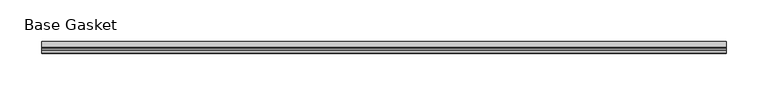
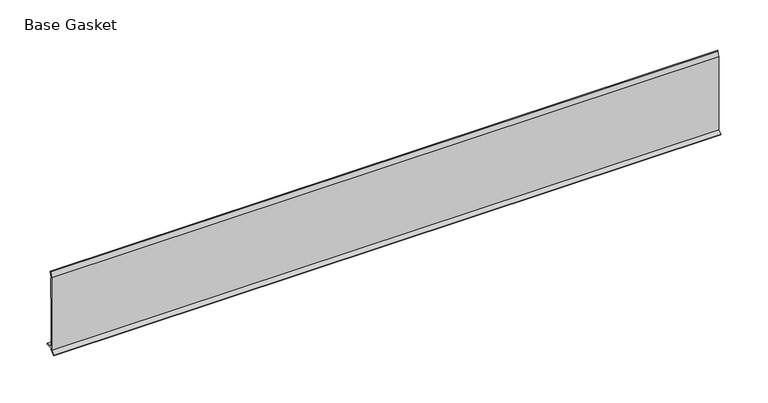
"""IFC4 building model written with IfcOpenShell, lengths in millimetres: furniture geometry, Base Gasket."""

import ifcopenshell
import ifcopenshell.guid

model = None  # the IFC model being written
_history = None  # IfcOwnerHistory: only IFC2X3 demands one
_inside = {}  # id of a spatial element -> (the spatial element, [elements in it])
_under = {}  # id of a project, library or spatial element -> (it, [spatial elements below it])
_declared = {}  # id of a project -> (the project, [libraries it declares])
_typed = {}  # id of a type object -> (the type object, [elements of that type])
_made_of = {}  # id of a material, layer set ... -> (it, [elements and type objects made of it])


def new_model(schema):
    """Start an empty IFC model of exactly this schema.

    Asked for "IFC4X3", IfcOpenShell would pick the latest addendum, in which some entities
    have other attributes; the version numbers below select the first issue.
    IFC2X3 requires an IfcOwnerHistory on every rooted entity: one is made here for all.
    """
    global model, _history
    if schema == "IFC4X3":
        model = ifcopenshell.file(schema_version=(4, 3, 0, 0))
    else:
        model = ifcopenshell.file(schema=schema)
    _inside.clear()
    _under.clear()
    _declared.clear()
    _typed.clear()
    _made_of.clear()
    _history = None
    if model.schema == "IFC2X3":
        org = make("IfcOrganization", Name="unknown")
        user = make(
            "IfcPersonAndOrganization",
            ThePerson=make("IfcPerson", FamilyName="unknown"),
            TheOrganization=org,
        )
        app = make(
            "IfcApplication",
            ApplicationDeveloper=org,
            Version="unknown",
            ApplicationFullName="unknown",
            ApplicationIdentifier="unknown",
        )
        _history = make(
            "IfcOwnerHistory",
            OwningUser=user,
            OwningApplication=app,
            ChangeAction="ADDED",
            CreationDate=0,
        )
    return model


def make(cls, **values):
    """One entity of the class cls with the attributes given. An attribute that is None is left unset."""
    return model.create_entity(
        cls, **{name: value for name, value in values.items() if value is not None}
    )


def rooted(cls, **values):
    """An entity with a GlobalId (a new one), such as an element, a storey or a relation."""
    return make(cls, GlobalId=ifcopenshell.guid.new(), OwnerHistory=_history, **values)


def si_unit(unit_type, name, prefix=None):
    """IfcSIUnit, for example si_unit("LENGTHUNIT", "METRE", prefix="MILLI")."""
    return make("IfcSIUnit", UnitType=unit_type, Prefix=prefix, Name=name)


def assignment(units):
    """IfcUnitAssignment: the units of a project."""
    return None if units is None else make("IfcUnitAssignment", Units=units)


def point(xyz):
    """IfcCartesianPoint."""
    return None if xyz is None else make("IfcCartesianPoint", Coordinates=xyz)


def direction(xyz):
    """IfcDirection."""
    return None if xyz is None else make("IfcDirection", DirectionRatios=xyz)


def frame(location, z_axis=None, x_axis=None):
    """IfcAxis2Placement3D, a coordinate frame: its origin and axes. An axis left out is left unset."""
    return make(
        "IfcAxis2Placement3D",
        Location=point(location),
        Axis=direction(z_axis),
        RefDirection=direction(x_axis),
    )


def origin():
    """The frame at (0, 0, 0) with its axes left unset."""
    return frame((0.0, 0.0, 0.0))


def place(relative_to, where):
    """IfcLocalPlacement: puts the frame where relative to a parent placement (None: the world)."""
    return make(
        "IfcLocalPlacement", PlacementRelTo=relative_to, RelativePlacement=where
    )


def context(
    kind, dimensions, precision=None, world=None, true_north=None, identifier=None
):
    """IfcGeometricRepresentationContext, for example the 3D "Model" context."""
    return make(
        "IfcGeometricRepresentationContext",
        ContextIdentifier=identifier,
        ContextType=kind,
        CoordinateSpaceDimension=dimensions,
        Precision=precision,
        WorldCoordinateSystem=world,
        TrueNorth=true_north,
    )


def project(units=None, contexts=None):
    """IfcProject with its units and contexts."""
    return rooted(
        "IfcProject",
        Name="project",
        RepresentationContexts=contexts,
        UnitsInContext=assignment(units),
    )


def spatial(cls, under=None, at=None, **own):
    """A site, building, storey or space (cls), placed at a placement, below another one or the project."""
    s = rooted(cls, ObjectPlacement=at, **own)
    if under is not None:
        _under.setdefault(under.id(), (under, []))[1].append(s)
    return s


def polyline(points):
    """IfcPolyline through the points."""
    return make("IfcPolyline", Points=[point(p) for p in points])


def outline(outer, holes=None, kind="AREA"):
    """IfcArbitraryClosedProfileDef: a profile drawn as a closed curve; with holes, ...WithVoids."""
    if holes is None:
        return make("IfcArbitraryClosedProfileDef", ProfileType=kind, OuterCurve=outer)
    return make(
        "IfcArbitraryProfileDefWithVoids",
        ProfileType=kind,
        OuterCurve=outer,
        InnerCurves=holes,
    )


def extrude(swept, where, along, depth):
    """IfcExtrudedAreaSolid: the profile swept, set in the frame where, extruded along a direction by depth."""
    return make(
        "IfcExtrudedAreaSolid",
        SweptArea=swept,
        Position=where,
        ExtrudedDirection=direction(along),
        Depth=depth,
    )


def shape(context_of_items, identifier, shape_type, items):
    """IfcShapeRepresentation: the items that make up one representation, for example the "Body"."""
    return make(
        "IfcShapeRepresentation",
        ContextOfItems=context_of_items,
        RepresentationIdentifier=identifier,
        RepresentationType=shape_type,
        Items=items,
    )


def source(mapping_origin, context_of_items, identifier, shape_type, items):
    """IfcRepresentationMap: a shape defined once, which mapped items show again and again."""
    return make(
        "IfcRepresentationMap",
        MappingOrigin=mapping_origin,
        MappedRepresentation=shape(context_of_items, identifier, shape_type, items),
    )


def transform(
    local_origin,
    x_axis=None,
    y_axis=None,
    z_axis=None,
    scale=None,
    scale2=None,
    scale3=None,
    uniform=True,
):
    """IfcCartesianTransformationOperator3D, or its non-uniform kind. x_axis, y_axis, z_axis: its Axis1, 2, 3."""
    if uniform:
        return make(
            "IfcCartesianTransformationOperator3D",
            Axis1=direction(x_axis),
            Axis2=direction(y_axis),
            LocalOrigin=point(local_origin),
            Scale=scale,
            Axis3=direction(z_axis),
        )
    return make(
        "IfcCartesianTransformationOperator3DnonUniform",
        Axis1=direction(x_axis),
        Axis2=direction(y_axis),
        LocalOrigin=point(local_origin),
        Scale=scale,
        Axis3=direction(z_axis),
        Scale2=scale2,
        Scale3=scale3,
    )


def mapped(mapping_source, mapping_target):
    """IfcMappedItem: shows the shape of a source again, moved by a transform."""
    return make(
        "IfcMappedItem", MappingSource=mapping_source, MappingTarget=mapping_target
    )


def made_of(thing, what):
    """Note that an element or type object is made of a material, layer set ...; save() writes the relation."""
    if what is not None:
        _made_of.setdefault(what.id(), (what, []))[1].append(thing)
    return thing


def element(
    cls,
    number,
    at=None,
    inside=None,
    cuts=None,
    type_object=None,
    material=None,
    context=None,
    identifier="Body",
    shape_type=None,
    held_by="IfcProductDefinitionShape",
    body=None,
    shapes=None,
    **own,
):
    """One element of the class cls, such as IfcWall. Its Tag is "e" and its number.

    at: its placement. inside: the storey or other place that contains it. cuts: it is an
    opening in that element (IfcRelVoidsElement). A single representation is given by context,
    identifier, shape_type and body (its items); several are given by shapes. held_by: the class
    of the entity that holds the representations. save() writes the other relations.
    """
    e = rooted(cls, Tag="e%d" % number, ObjectPlacement=at, **own)
    if body is not None:
        shapes = [shape(context, identifier, shape_type, body)]
    if shapes is not None:
        e.Representation = make(held_by, Representations=shapes)
    if inside is not None:
        _inside.setdefault(inside.id(), (inside, []))[1].append(e)
    if cuts is not None:
        rooted(
            "IfcRelVoidsElement", RelatingBuildingElement=cuts, RelatedOpeningElement=e
        )
    if type_object is not None:
        _typed.setdefault(type_object.id(), (type_object, []))[1].append(e)
    return made_of(e, material)


def aggregate(whole, parts):
    """IfcRelAggregates: a whole, such as a stair, and the parts it consists of."""
    return rooted("IfcRelAggregates", RelatingObject=whole, RelatedObjects=parts)


def save(model, path):
    """Write the relations noted so far, then the file.

    IfcRelAggregates (storeys below a building ...), IfcRelContainedInSpatialStructure (elements
    in a storey), IfcRelDefinesByType, IfcRelAssociatesMaterial and IfcRelDeclares: one each for
    every whole, place, type object, material and project.
    """
    for whole, parts in _under.values():
        aggregate(whole, parts)
    for where, things in _inside.values():
        rooted(
            "IfcRelContainedInSpatialStructure",
            RelatedElements=things,
            RelatingStructure=where,
        )
    for kind, things in _typed.values():
        rooted("IfcRelDefinesByType", RelatedObjects=things, RelatingType=kind)
    for what, things in _made_of.values():
        rooted("IfcRelAssociatesMaterial", RelatedObjects=things, RelatingMaterial=what)
    for by, libraries in _declared.values():
        rooted("IfcRelDeclares", RelatingContext=by, RelatedDefinitions=libraries)
    model.write(path)


def base_gasket_8ca6a630(model_context):
    return source(origin(), model_context, "Body", "SweptSolid", [
        extrude(outline(polyline([(-3.7283812, 98.4568417), (-1.1891543, 104.587663), (-0.6755308, 105.2002997), (-0.6755308, 104.4162708), (-2.2043812, 98.4568417), (-2.2043812, 96.8693477), (-1.4106313, 96.8693477), (-1.4106313, 71.4693447), (-2.2043812, 71.4693447), (-2.2043812, 7.9398773), (6.2405171, 7.9398773), (6.2405171, 6.3818476), (-2.1334222, 6.3818476), (-2.2043812, 4.3498477), (-6.8281054, 0.3520979), (-7.8482342, 0.0), (-7.4222115, 0.6560174), (-3.7283812, 4.3498477), (-3.7283812, 98.4568417)])), frame((-1527.8982117, 0.0, 0.0), z_axis=(1.0, 0.0, 0.0), x_axis=(0.0, 1.0, 0.0)), (0.0, 0.0, 1.0), 818.3537611),
    ])


if __name__ == "__main__":
    model = new_model("IFC4")
    model_context = context("Model", 3, world=origin())
    ifc_project = project(units=[si_unit("LENGTHUNIT", "METRE", prefix="MILLI")], contexts=[model_context])
    site = spatial("IfcSite", under=ifc_project)
    building = spatial("IfcBuilding", under=site)
    placement = place(None, origin())
    base_gasket_shape = base_gasket_8ca6a630(model_context)
    element("IfcFurniture", 1, ObjectType="Base Gasket", at=placement, inside=building, context=model_context, shape_type="MappedRepresentation", body=[
        mapped(base_gasket_shape, transform((0.0, 0.0, 0.0), x_axis=(1.0, 0.0, 0.0), y_axis=(0.0, 1.0, 0.0), z_axis=(0.0, 0.0, 1.0))),
    ])
    save(model, "model.ifc")
